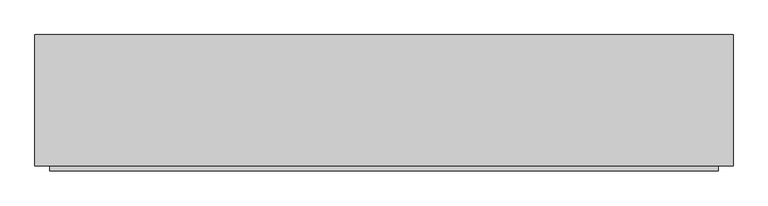
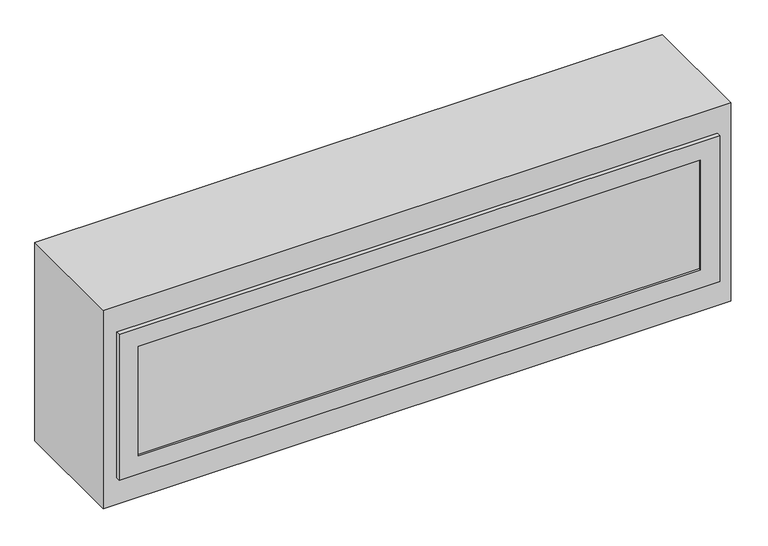
"""IFC4 building model written with IfcOpenShell, lengths in millimetres: proxy geometry."""

from ifc_helpers import new_model, si_unit, origin, origin_with_axes, place, context, project, spatial, polyline, outline, extrude, faceted_brep, source, transform, mapped, element, save


def generic_models_7918954c(model_context):
    return source(origin(), model_context, "Body", "SolidModel", [
        faceted_brep([(794.54375, -11.1125, 482.0046875), (794.54375, 0.0, 482.0046875), (-794.54375, 0.0, 482.0046875), (-794.54375, -11.1125, 482.0046875), (794.54375, -11.1125, 73.6203125), (-794.54375, -11.1125, 73.6203125), (-794.54375, 0.0, 73.6203125), (794.54375, 0.0, 73.6203125), (-743.74375, -11.1125, 431.2046875), (743.74375, -11.1125, 431.2046875), (743.74375, -11.1125, 124.4203125), (-743.74375, -11.1125, 124.4203125), (743.74375, -5.5999181, 431.2046875), (-743.74375, -5.5999181, 431.2046875), (-743.74375, -5.5999181, 124.4203125), (743.74375, -5.5999181, 124.4203125)], [[[0, 1, 2, 3]], [[4, 5, 6, 7]], [[1, 0, 4, 7]], [[2, 1, 7, 6]], [[3, 2, 6, 5]], [[0, 3, 5, 4], [8, 9, 10, 11]], [[12, 13, 14, 15]], [[13, 12, 9, 8]], [[14, 13, 8, 11]], [[15, 14, 11, 10]], [[12, 15, 10, 9]]]),
        extrude(outline(polyline([(830.2625, 0.0), (-830.2625, 0.0), (-830.2625, 312.7375), (830.2625, 312.7375), (830.2625, 0.0)])), origin_with_axes(), (0.0, 0.0, 1.0), 555.625),
    ])


if __name__ == "__main__":
    model = new_model("IFC4")
    model_context = context("Model", 3, world=origin())
    ifc_project = project(units=[si_unit("LENGTHUNIT", "METRE", prefix="MILLI")], contexts=[model_context])
    site = spatial("IfcSite", under=ifc_project)
    building = spatial("IfcBuilding", under=site)
    placement = place(None, origin())
    generic_models_shape = generic_models_7918954c(model_context)
    element("IfcBuildingElementProxy", 1, Name="Generic Models", at=placement, inside=building, context=model_context, shape_type="MappedRepresentation", body=[
        mapped(generic_models_shape, transform((0.0, 0.0, 0.0), x_axis=(1.0, 0.0, 0.0), y_axis=(0.0, 1.0, 0.0), z_axis=(0.0, 0.0, 1.0))),
    ])
    save(model, "model.ifc")
